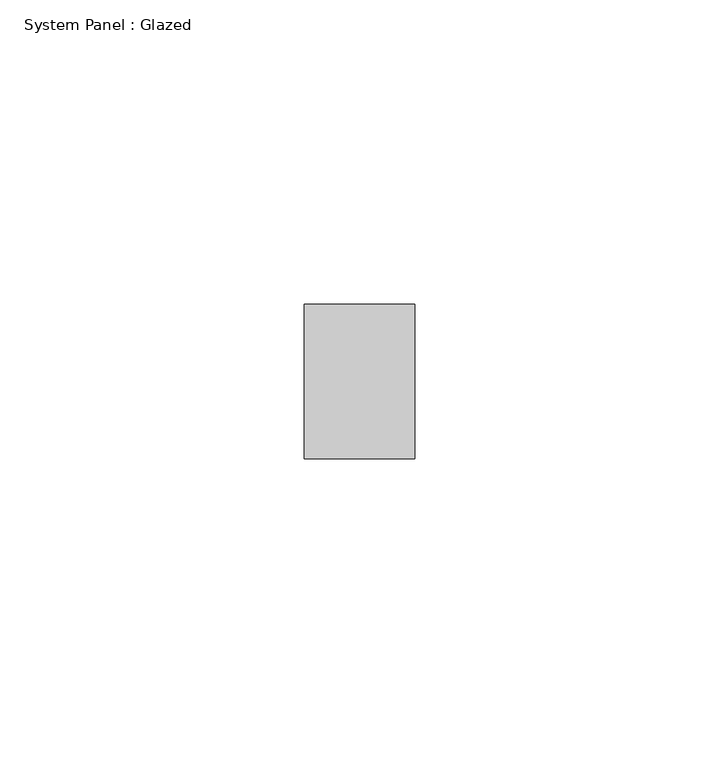
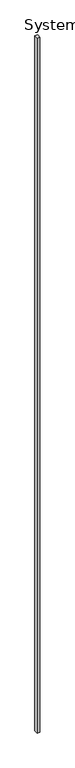
"""IFC4 building model written with IfcOpenShell, lengths in millimetres: plate geometry, System Panel : Glazed."""

from ifc_helpers import new_model, si_unit, origin, origin_with_axes, place, context, project, spatial, polyline, outline, extrude, source, transform, mapped, element, save


def system_panel_glazed_c11b8e3f(model_context):
    return source(origin(), model_context, "Body", "SweptSolid", [
        extrude(outline(polyline([(9.0974985, 19.05), (-9.0974985, 19.05), (-9.0974985, 44.45), (9.0974985, 44.45), (9.0974985, 19.05)])), origin_with_axes(), (0.0, 0.0, 1.0), 4876.8),
    ])


if __name__ == "__main__":
    model = new_model("IFC4")
    model_context = context("Model", 3, world=origin())
    ifc_project = project(units=[si_unit("LENGTHUNIT", "METRE", prefix="MILLI")], contexts=[model_context])
    site = spatial("IfcSite", under=ifc_project)
    building = spatial("IfcBuilding", under=site)
    placement = place(None, origin())
    system_panel_glazed_shape = system_panel_glazed_c11b8e3f(model_context)
    element("IfcPlate", 1, ObjectType="System Panel : Glazed", at=placement, inside=building, context=model_context, shape_type="MappedRepresentation", body=[
        mapped(system_panel_glazed_shape, transform((0.0, 0.0, 0.0), x_axis=(1.0, 0.0, 0.0), y_axis=(0.0, 1.0, 0.0), z_axis=(0.0, 0.0, 1.0))),
    ])
    save(model, "model.ifc")
